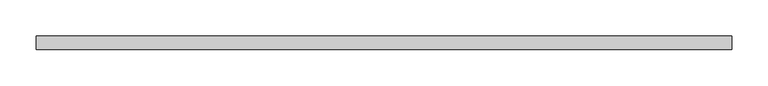
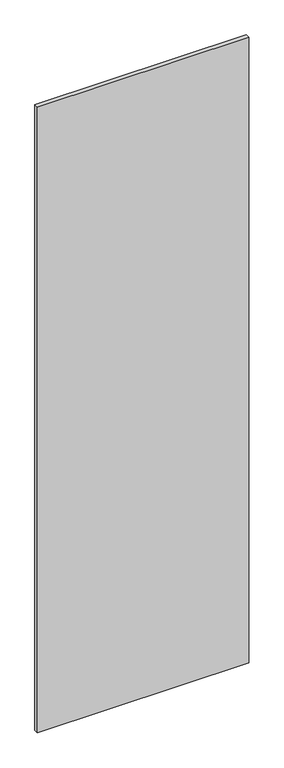
"""IFC4 building model written with IfcOpenShell, lengths in millimetres: proxy geometry."""

from ifc_helpers import new_model, si_unit, frame, origin, place, context, project, spatial, polyline, outline, extrude, source, transform, mapped, element, save


def specialty_equipment_706bc8f8(model_context):
    return source(origin(), model_context, "Body", "SweptSolid", [
        extrude(outline(polyline([(481.4891557, 9.525), (481.4891557, -9.525), (-481.4891557, -9.525), (-481.4891557, 9.525), (481.4891557, 9.525)])), frame((0.0, 0.0, 3.175), z_axis=(0.0, 0.0, 1.0), x_axis=(1.0, 0.0, 0.0)), (0.0, 0.0, 1.0), 3013.075),
    ])


if __name__ == "__main__":
    model = new_model("IFC4")
    model_context = context("Model", 3, world=origin())
    ifc_project = project(units=[si_unit("LENGTHUNIT", "METRE", prefix="MILLI")], contexts=[model_context])
    site = spatial("IfcSite", under=ifc_project)
    building = spatial("IfcBuilding", under=site)
    placement = place(None, origin())
    specialty_equipment_shape = specialty_equipment_706bc8f8(model_context)
    element("IfcBuildingElementProxy", 1, Name="Specialty Equipment", at=placement, inside=building, context=model_context, shape_type="MappedRepresentation", body=[
        mapped(specialty_equipment_shape, transform((0.0, 0.0, 0.0), x_axis=(1.0, 0.0, 0.0), y_axis=(0.0, 1.0, 0.0), z_axis=(0.0, 0.0, 1.0))),
    ])
    save(model, "model.ifc")
